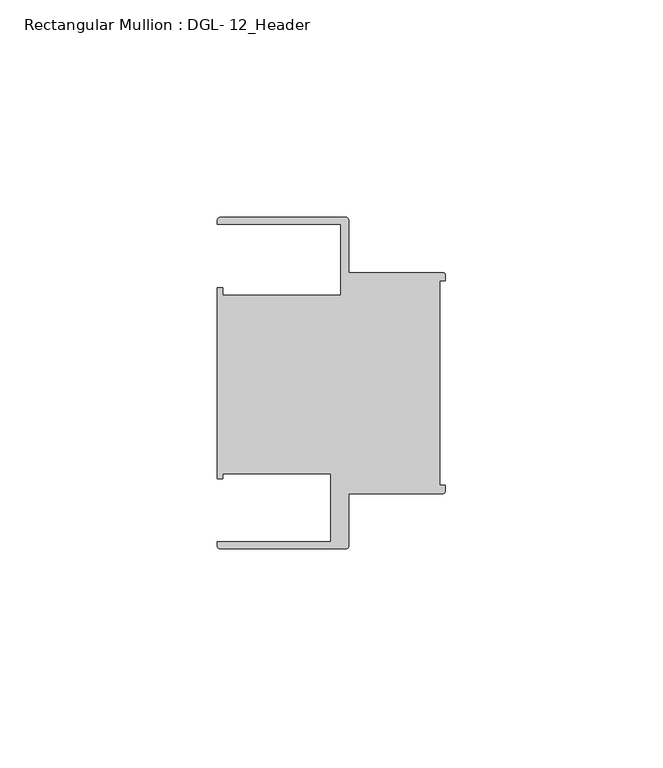
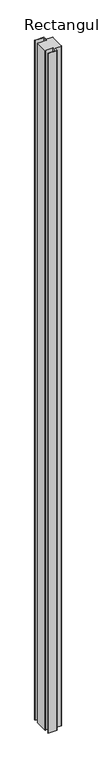
"""IFC4 building model written with IfcOpenShell, lengths in millimetres: member geometry, Rectangular Mullion : DGL- 12_Header."""

from ifc_helpers import new_model, si_unit, point, frame, frame_2d, origin, place, context, project, spatial, polyline, circle_curve, trimmed, segment, composite_curve, outline, extrude, source, transform, mapped, element, save


def rectangular_mullion_dgl_12_header_c82daa41(model_context):
    return source(origin(), model_context, "Body", "SweptSolid", [
        extrude(outline(composite_curve([segment(trimmed(circle_curve(frame_2d((-0.5953125, 24.8046875)), 0.5953125), [point((-0.5953125, 25.4))], [point((0.0, 24.8046875))], False, "CARTESIAN"), True, "CONTINUOUS"), segment(polyline([(0.0, 24.8046875), (0.0, 23.4882401), (-1.30175, 23.4882401), (-1.30175, -23.4882401), (0.0, -23.4882401), (0.0, -24.8046875)]), True, "CONTINUOUS"), segment(trimmed(circle_curve(frame_2d((-0.5953125, -24.8046875)), 0.5953125), [point((0.0, -24.8046875))], [point((-0.5953125, -25.4))], False, "CARTESIAN"), True, "CONTINUOUS"), segment(polyline([(-0.5953125, -25.4), (-22.2332076, -25.4), (-22.2332076, -37.5047035)]), True, "CONTINUOUS"), segment(trimmed(circle_curve(frame_2d((-22.8285201, -37.5047035)), 0.5953125), [point((-22.2332076, -37.5047035))], [point((-22.8285201, -38.100016))], False, "CARTESIAN"), True, "CONTINUOUS"), segment(polyline([(-22.8285201, -38.100016), (-51.7968699, -38.100016)]), True, "CONTINUOUS"), segment(trimmed(circle_curve(frame_2d((-51.7968699, -37.5047035)), 0.5953125), [point((-51.7968699, -38.100016))], [point((-52.3921824, -37.5047035))], False, "CARTESIAN"), True, "CONTINUOUS"), segment(polyline([(-52.3921824, -37.5047035), (-52.3921824, -36.512516), (-26.3720794, -36.512516), (-26.3720794, -20.8257348), (-51.1280305, -20.8257348), (-51.1280305, -21.9710976), (-52.3948122, -21.9710976), (-52.3948122, 21.9710976), (-51.1280305, 21.9710976), (-51.1280305, 20.1823589), (-24.0747075, 20.1823589), (-24.0747075, 36.5123462), (-52.3921824, 36.5123462), (-52.3921824, 37.5043667)]), True, "CONTINUOUS"), segment(trimmed(circle_curve(frame_2d((-51.7968699, 37.5043667)), 0.5953125), [point((-52.3921824, 37.5043667))], [point((-51.7968699, 38.0996792))], False, "CARTESIAN"), True, "CONTINUOUS"), segment(polyline([(-51.7968699, 38.0996792), (-22.8285201, 38.0996792)]), True, "CONTINUOUS"), segment(trimmed(circle_curve(frame_2d((-22.8285201, 37.5043667)), 0.5953125), [point((-22.8285201, 38.0996792))], [point((-22.2332076, 37.5043667))], False, "CARTESIAN"), True, "CONTINUOUS"), segment(polyline([(-22.2332076, 37.5043667), (-22.2332076, 25.4), (-0.5953125, 25.4)]), True, "CONTINUOUS")], self_intersect=False)), frame((0.0, 0.0, -2362.2), z_axis=(0.0, 0.0, 1.0), x_axis=(1.0, 0.0, 0.0)), (0.0, 0.0, 1.0), 2362.2),
    ])


if __name__ == "__main__":
    model = new_model("IFC4")
    model_context = context("Model", 3, world=origin())
    ifc_project = project(units=[si_unit("LENGTHUNIT", "METRE", prefix="MILLI")], contexts=[model_context])
    site = spatial("IfcSite", under=ifc_project)
    building = spatial("IfcBuilding", under=site)
    placement = place(None, origin())
    rectangular_mullion_dgl_12_header_shape = rectangular_mullion_dgl_12_header_c82daa41(model_context)
    element("IfcMember", 1, ObjectType="Rectangular Mullion : DGL- 12_Header", at=placement, inside=building, context=model_context, shape_type="MappedRepresentation", body=[
        mapped(rectangular_mullion_dgl_12_header_shape, transform((0.0, 0.0, 0.0), x_axis=(1.0, 0.0, 0.0), y_axis=(0.0, 1.0, 0.0), z_axis=(0.0, 0.0, 1.0))),
    ])
    save(model, "model.ifc")
